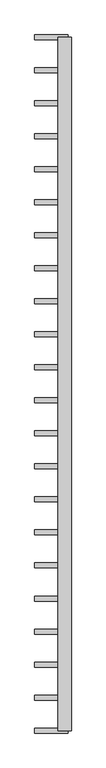
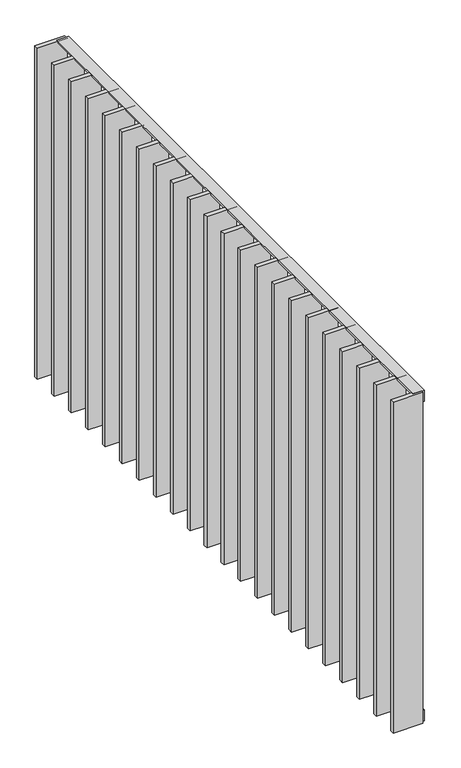
"""IFC4 building model written with IfcOpenShell, lengths in millimetres: railing geometry."""

from ifc_helpers import new_model, si_unit, frame, origin, place, context, project, spatial, polyline, outline, extrude, source, transform, mapped, element, save


def railing_571fd1e1(model_context):
    return source(origin(), model_context, "Body", "SweptSolid", [
        extrude(outline(polyline([(-6.0, 14.0), (-40.0, 14.0), (-40.0, 20.0), (0.0, 20.0), (0.0, -20.0), (-6.0, -20.0), (-6.0, 14.0)])), frame((65385.9325551, 6109.4012767, 8000.0), z_axis=(5.0311672776629815e-12, 1.0, 0.0), x_axis=(0.0, 0.0, 1.0)), (0.0, 0.0, 1.0), 2080.0),
        extrude(outline(polyline([(6.0, 14.0), (6.0, -20.0), (0.0, -20.0), (0.0, 20.0), (40.0, 20.0), (40.0, 14.0), (6.0, 14.0)])), frame((65385.9325551, 6109.4012767, 6820.0), z_axis=(5.0311672776629815e-12, 1.0, 0.0), x_axis=(0.0, 0.0, 1.0)), (0.0, 0.0, 1.0), 2080.0),
        extrude(outline(polyline([(65395.9325551, 8082.8536576), (65295.9325551, 8082.8536576), (65295.9325551, 8097.8536576), (65395.9325551, 8097.8536576), (65395.9325551, 8082.8536576)])), frame((0.0, 0.0, 6819.9), z_axis=(0.0, 0.0, 1.0), x_axis=(1.0, 0.0, 0.0)), (0.0, 0.0, 1.0), 1180.2),
        extrude(outline(polyline([(65395.9325551, 7983.8060386), (65295.9325551, 7983.8060386), (65295.9325551, 7998.8060386), (65395.9325551, 7998.8060386), (65395.9325551, 7983.8060386)])), frame((0.0, 0.0, 6819.9), z_axis=(0.0, 0.0, 1.0), x_axis=(1.0, 0.0, 0.0)), (0.0, 0.0, 1.0), 1180.2),
        extrude(outline(polyline([(65395.9325551, 7884.7584195), (65295.9325551, 7884.7584195), (65295.9325551, 7899.7584195), (65395.9325551, 7899.7584195), (65395.9325551, 7884.7584195)])), frame((0.0, 0.0, 6819.9), z_axis=(0.0, 0.0, 1.0), x_axis=(1.0, 0.0, 0.0)), (0.0, 0.0, 1.0), 1180.2),
        extrude(outline(polyline([(65395.9325551, 7785.7108005), (65295.9325551, 7785.7108005), (65295.9325551, 7800.7108005), (65395.9325551, 7800.7108005), (65395.9325551, 7785.7108005)])), frame((0.0, 0.0, 6819.9), z_axis=(0.0, 0.0, 1.0), x_axis=(1.0, 0.0, 0.0)), (0.0, 0.0, 1.0), 1180.2),
        extrude(outline(polyline([(65395.9325551, 7686.6631814), (65295.9325551, 7686.6631814), (65295.9325551, 7701.6631814), (65395.9325551, 7701.6631814), (65395.9325551, 7686.6631814)])), frame((0.0, 0.0, 6819.9), z_axis=(0.0, 0.0, 1.0), x_axis=(1.0, 0.0, 0.0)), (0.0, 0.0, 1.0), 1180.2),
        extrude(outline(polyline([(65395.9325551, 7587.6155624), (65295.9325551, 7587.6155624), (65295.9325551, 7602.6155624), (65395.9325551, 7602.6155624), (65395.9325551, 7587.6155624)])), frame((0.0, 0.0, 6819.9), z_axis=(0.0, 0.0, 1.0), x_axis=(1.0, 0.0, 0.0)), (0.0, 0.0, 1.0), 1180.2),
        extrude(outline(polyline([(65395.9325551, 7488.5679433), (65295.9325551, 7488.5679433), (65295.9325551, 7503.5679433), (65395.9325551, 7503.5679433), (65395.9325551, 7488.5679433)])), frame((0.0, 0.0, 6819.9), z_axis=(0.0, 0.0, 1.0), x_axis=(1.0, 0.0, 0.0)), (0.0, 0.0, 1.0), 1180.2),
        extrude(outline(polyline([(65395.9325551, 7389.5203243), (65295.9325551, 7389.5203243), (65295.9325551, 7404.5203243), (65395.9325551, 7404.5203243), (65395.9325551, 7389.5203243)])), frame((0.0, 0.0, 6819.9), z_axis=(0.0, 0.0, 1.0), x_axis=(1.0, 0.0, 0.0)), (0.0, 0.0, 1.0), 1180.2),
        extrude(outline(polyline([(65395.9325551, 7290.4727052), (65295.9325551, 7290.4727052), (65295.9325551, 7305.4727052), (65395.9325551, 7305.4727052), (65395.9325551, 7290.4727052)])), frame((0.0, 0.0, 6819.9), z_axis=(0.0, 0.0, 1.0), x_axis=(1.0, 0.0, 0.0)), (0.0, 0.0, 1.0), 1180.2),
        extrude(outline(polyline([(65395.9325551, 7191.4250862), (65295.9325551, 7191.4250862), (65295.9325551, 7206.4250862), (65395.9325551, 7206.4250862), (65395.9325551, 7191.4250862)])), frame((0.0, 0.0, 6819.9), z_axis=(0.0, 0.0, 1.0), x_axis=(1.0, 0.0, 0.0)), (0.0, 0.0, 1.0), 1180.2),
        extrude(outline(polyline([(65395.9325551, 7092.3774671), (65295.9325551, 7092.3774671), (65295.9325551, 7107.3774671), (65395.9325551, 7107.3774671), (65395.9325551, 7092.3774671)])), frame((0.0, 0.0, 6819.9), z_axis=(0.0, 0.0, 1.0), x_axis=(1.0, 0.0, 0.0)), (0.0, 0.0, 1.0), 1180.2),
        extrude(outline(polyline([(65395.9325551, 6993.3298481), (65295.9325551, 6993.3298481), (65295.9325551, 7008.3298481), (65395.9325551, 7008.3298481), (65395.9325551, 6993.3298481)])), frame((0.0, 0.0, 6819.9), z_axis=(0.0, 0.0, 1.0), x_axis=(1.0, 0.0, 0.0)), (0.0, 0.0, 1.0), 1180.2),
        extrude(outline(polyline([(65395.9325551, 6894.2822291), (65295.9325551, 6894.2822291), (65295.9325551, 6909.2822291), (65395.9325551, 6909.2822291), (65395.9325551, 6894.2822291)])), frame((0.0, 0.0, 6819.9), z_axis=(0.0, 0.0, 1.0), x_axis=(1.0, 0.0, 0.0)), (0.0, 0.0, 1.0), 1180.2),
        extrude(outline(polyline([(65395.9325551, 6795.23461), (65295.9325551, 6795.23461), (65295.9325551, 6810.23461), (65395.9325551, 6810.23461), (65395.9325551, 6795.23461)])), frame((0.0, 0.0, 6819.9), z_axis=(0.0, 0.0, 1.0), x_axis=(1.0, 0.0, 0.0)), (0.0, 0.0, 1.0), 1180.2),
        extrude(outline(polyline([(65395.9325551, 6696.186991), (65295.9325551, 6696.186991), (65295.9325551, 6711.186991), (65395.9325551, 6711.186991), (65395.9325551, 6696.186991)])), frame((0.0, 0.0, 6819.9), z_axis=(0.0, 0.0, 1.0), x_axis=(1.0, 0.0, 0.0)), (0.0, 0.0, 1.0), 1180.2),
        extrude(outline(polyline([(65395.9325551, 6597.1393719), (65295.9325551, 6597.1393719), (65295.9325551, 6612.1393719), (65395.9325551, 6612.1393719), (65395.9325551, 6597.1393719)])), frame((0.0, 0.0, 6819.9), z_axis=(0.0, 0.0, 1.0), x_axis=(1.0, 0.0, 0.0)), (0.0, 0.0, 1.0), 1180.2),
        extrude(outline(polyline([(65395.9325551, 6498.0917529), (65295.9325551, 6498.0917529), (65295.9325551, 6513.0917529), (65395.9325551, 6513.0917529), (65395.9325551, 6498.0917529)])), frame((0.0, 0.0, 6819.9), z_axis=(0.0, 0.0, 1.0), x_axis=(1.0, 0.0, 0.0)), (0.0, 0.0, 1.0), 1180.2),
        extrude(outline(polyline([(65395.9325551, 6399.0441338), (65295.9325551, 6399.0441338), (65295.9325551, 6414.0441338), (65395.9325551, 6414.0441338), (65395.9325551, 6399.0441338)])), frame((0.0, 0.0, 6819.9), z_axis=(0.0, 0.0, 1.0), x_axis=(1.0, 0.0, 0.0)), (0.0, 0.0, 1.0), 1180.2),
        extrude(outline(polyline([(65395.9325551, 6299.9965148), (65295.9325551, 6299.9965148), (65295.9325551, 6314.9965148), (65395.9325551, 6314.9965148), (65395.9325551, 6299.9965148)])), frame((0.0, 0.0, 6819.9), z_axis=(0.0, 0.0, 1.0), x_axis=(1.0, 0.0, 0.0)), (0.0, 0.0, 1.0), 1180.2),
        extrude(outline(polyline([(65395.9325551, 6200.9488957), (65295.9325551, 6200.9488957), (65295.9325551, 6215.9488957), (65395.9325551, 6215.9488957), (65395.9325551, 6200.9488957)])), frame((0.0, 0.0, 6819.9), z_axis=(0.0, 0.0, 1.0), x_axis=(1.0, 0.0, 0.0)), (0.0, 0.0, 1.0), 1180.2),
        extrude(outline(polyline([(65395.9325551, 8181.9012767), (65295.9325551, 8181.9012767), (65295.9325551, 8196.9012767), (65395.9325551, 8196.9012767), (65395.9325551, 8181.9012767)])), frame((0.0, 0.0, 6819.9), z_axis=(0.0, 0.0, 1.0), x_axis=(1.0, 0.0, 0.0)), (0.0, 0.0, 1.0), 1180.2),
        extrude(outline(polyline([(65395.9325551, 6101.9012767), (65295.9325551, 6101.9012767), (65295.9325551, 6116.9012767), (65395.9325551, 6116.9012767), (65395.9325551, 6101.9012767)])), frame((0.0, 0.0, 6819.9), z_axis=(0.0, 0.0, 1.0), x_axis=(1.0, 0.0, 0.0)), (0.0, 0.0, 1.0), 1180.2),
    ])


if __name__ == "__main__":
    model = new_model("IFC4")
    model_context = context("Model", 3, world=origin())
    ifc_project = project(units=[si_unit("LENGTHUNIT", "METRE", prefix="MILLI")], contexts=[model_context])
    site = spatial("IfcSite", under=ifc_project)
    building = spatial("IfcBuilding", under=site)
    placement = place(None, origin())
    railing_shape = railing_571fd1e1(model_context)
    element("IfcRailing", 1, at=placement, inside=building, context=model_context, shape_type="MappedRepresentation", body=[
        mapped(railing_shape, transform((0.0, 0.0, 0.0), x_axis=(1.0, 0.0, 0.0), y_axis=(0.0, 1.0, 0.0), z_axis=(0.0, 0.0, 1.0))),
    ])
    save(model, "model.ifc")
